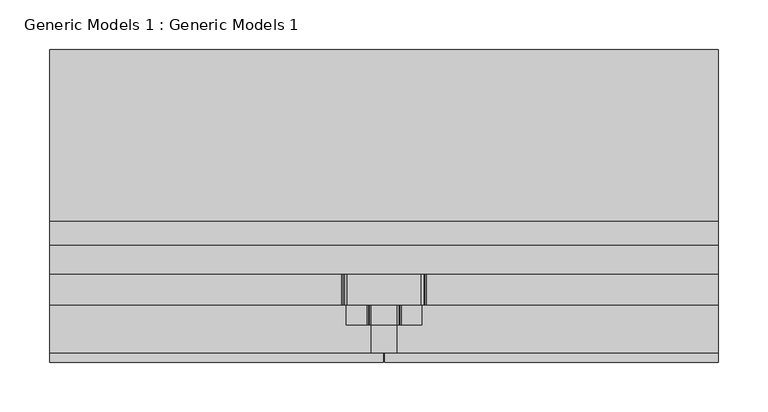
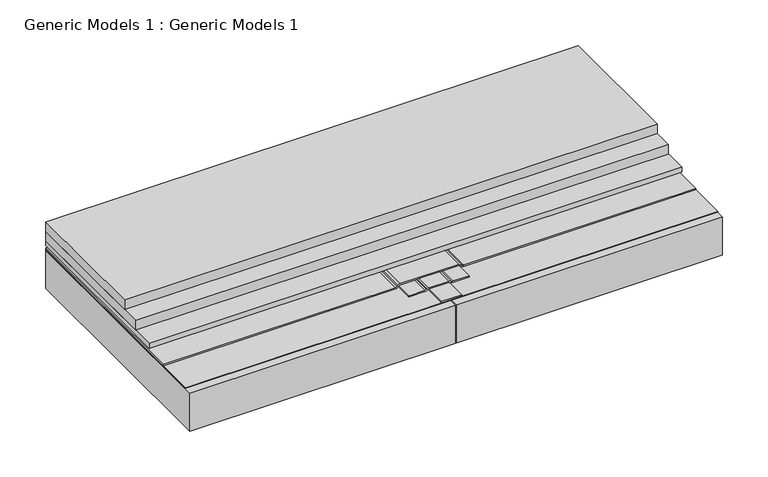
"""IFC4 building model written with IfcOpenShell, lengths in millimetres: proxy geometry, Generic Models 1 : Generic Models 1."""

from ifc_helpers import new_model, si_unit, point, frame, frame_2d, origin, place, context, project, spatial, polyline, circle_curve, trimmed, segment, composite_curve, outline, extrude, source, transform, mapped, element, save


def generic_models_1_generic_models_1_98463d38(model_context):
    return source(origin(), model_context, "Body", "SweptSolid", [
        extrude(outline(polyline([(387.35, 144.9383843), (-285.75, 144.9383843), (-285.75, 317.5), (387.35, 317.5), (387.35, 144.9383843)])), frame((0.0, 0.0, 213.51875), z_axis=(0.0, 0.0, 1.0), x_axis=(1.0, 0.0, 0.0)), (0.0, 0.0, 1.0), 12.7),
        extrude(outline(polyline([(387.35, 120.6167229), (-285.75, 120.6167229), (-285.75, 317.5), (387.35, 317.5), (387.35, 120.6167229)])), frame((0.0, 0.0, 200.81875), z_axis=(0.0, 0.0, 1.0), x_axis=(1.0, 0.0, 0.0)), (0.0, 0.0, 1.0), 12.7),
        extrude(outline(polyline([(387.35, 91.2346919), (-285.75, 91.2346919), (-285.75, 317.5), (387.35, 317.5), (387.35, 91.2346919)])), frame((0.0, 0.0, 194.46875), z_axis=(0.0, 0.0, 1.0), x_axis=(1.0, 0.0, 0.0)), (0.0, 0.0, 1.0), 6.35),
        extrude(outline(composite_curve([segment(polyline([(192.88125, 63.4926207), (192.88125, 38.1073793)]), True, "CONTINUOUS"), segment(trimmed(circle_curve(frame_2d((188.11875, 38.1073793)), 4.7625), [point((192.88125, 38.1073793))], [point((192.243196, 35.7261293))], False, "CARTESIAN"), True, "CONTINUOUS"), segment(polyline([(192.243196, 35.7261293), (191.7191193, 34.8184019)]), True, "CONTINUOUS"), segment(trimmed(circle_curve(frame_2d((194.46875, 33.2309019)), 3.175), [point((191.7191193, 34.8184019))], [point((191.29375, 33.2309019))], True, "CARTESIAN"), True, "CONTINUOUS"), segment(polyline([(191.29375, 33.2309019), (191.29375, 12.7), (189.70625, 12.7), (189.70625, 33.2309019)]), True, "CONTINUOUS"), segment(trimmed(circle_curve(frame_2d((194.46875, 33.2309019)), 4.7625), [point((189.70625, 33.2309019))], [point((190.344304, 35.6121519))], False, "CARTESIAN"), True, "CONTINUOUS"), segment(polyline([(190.344304, 35.6121519), (190.8683807, 36.5198793)]), True, "CONTINUOUS"), segment(trimmed(circle_curve(frame_2d((188.11875, 38.1073793)), 3.175), [point((190.8683807, 36.5198793))], [point((191.29375, 38.1073793))], True, "CARTESIAN"), True, "CONTINUOUS"), segment(polyline([(191.29375, 38.1073793), (191.29375, 63.4926207)]), True, "CONTINUOUS"), segment(trimmed(circle_curve(frame_2d((188.11875, 63.4926207)), 3.175), [point((191.29375, 63.4926207))], [point((190.8683807, 65.0801207))], True, "CARTESIAN"), True, "CONTINUOUS"), segment(polyline([(190.8683807, 65.0801207), (190.344304, 65.9878481)]), True, "CONTINUOUS"), segment(trimmed(circle_curve(frame_2d((194.46875, 68.3690981)), 4.7625), [point((190.344304, 65.9878481))], [point((189.70625, 68.3690981))], False, "CARTESIAN"), True, "CONTINUOUS"), segment(polyline([(189.70625, 68.3690981), (189.70625, 88.9), (191.29375, 88.9), (191.29375, 68.3690981)]), True, "CONTINUOUS"), segment(trimmed(circle_curve(frame_2d((194.46875, 68.3690981)), 3.175), [point((191.29375, 68.3690981))], [point((191.7191193, 66.7815981))], True, "CARTESIAN"), True, "CONTINUOUS"), segment(polyline([(191.7191193, 66.7815981), (192.243196, 65.8738707)]), True, "CONTINUOUS"), segment(trimmed(circle_curve(frame_2d((188.11875, 63.4926207)), 4.7625), [point((192.243196, 65.8738707))], [point((192.88125, 63.4926207))], False, "CARTESIAN"), True, "CONTINUOUS")], self_intersect=False)), frame((0.0, 39.8845984, 0.0), z_axis=(0.0, 1.0, 0.0), x_axis=(0.0, 0.0, 1.0)), (0.0, 0.0, 1.0), 277.6154016),
        extrude(outline(polyline([(38.1, 317.5), (63.5, 317.5), (63.5, 12.1207667), (38.1, 12.1207667), (38.1, 317.5)])), frame((0.0, 0.0, 189.70625), z_axis=(0.0, 0.0, 1.0), x_axis=(1.0, 0.0, 0.0)), (0.0, 0.0, 1.0), 1.5875),
        extrude(outline(composite_curve([segment(trimmed(circle_curve(frame_2d((194.46875, 7.5523079)), 4.7625), [point((189.70625, 7.5523079))], [point((191.101154, 10.919904))], False, "CARTESIAN"), True, "CONTINUOUS"), segment(polyline([(191.101154, 10.919904), (191.951314, 11.770064)]), True, "CONTINUOUS"), segment(trimmed(circle_curve(frame_2d((189.70625, 14.0151281)), 3.175), [point((191.951314, 11.770064))], [point((192.88125, 14.0151281))], True, "CARTESIAN"), True, "CONTINUOUS"), segment(polyline([(192.88125, 14.0151281), (192.88125, 87.5848719)]), True, "CONTINUOUS"), segment(trimmed(circle_curve(frame_2d((189.70625, 87.5848719)), 3.175), [point((192.88125, 87.5848719))], [point((191.951314, 89.829936))], True, "CARTESIAN"), True, "CONTINUOUS"), segment(polyline([(191.951314, 89.829936), (191.101154, 90.680096)]), True, "CONTINUOUS"), segment(trimmed(circle_curve(frame_2d((194.46875, 94.0476921)), 4.7625), [point((191.101154, 90.680096))], [point((189.70625, 94.0476921))], False, "CARTESIAN"), True, "CONTINUOUS"), segment(polyline([(189.70625, 94.0476921), (189.70625, 387.35), (191.29375, 387.35), (191.29375, 94.0476921)]), True, "CONTINUOUS"), segment(trimmed(circle_curve(frame_2d((194.46875, 94.0476921)), 3.175), [point((191.29375, 94.0476921))], [point((192.223686, 91.8026281))], True, "CARTESIAN"), True, "CONTINUOUS"), segment(polyline([(192.223686, 91.8026281), (193.073846, 90.952468)]), True, "CONTINUOUS"), segment(trimmed(circle_curve(frame_2d((189.70625, 87.5848719)), 4.7625), [point((193.073846, 90.952468))], [point((194.46875, 87.5848719))], False, "CARTESIAN"), True, "CONTINUOUS"), segment(polyline([(194.46875, 87.5848719), (194.46875, 14.0151281)]), True, "CONTINUOUS"), segment(trimmed(circle_curve(frame_2d((189.70625, 14.0151281)), 4.7625), [point((194.46875, 14.0151281))], [point((193.073846, 10.647532))], False, "CARTESIAN"), True, "CONTINUOUS"), segment(polyline([(193.073846, 10.647532), (192.223686, 9.7973719)]), True, "CONTINUOUS"), segment(trimmed(circle_curve(frame_2d((194.46875, 7.5523079)), 3.175), [point((192.223686, 9.7973719))], [point((191.29375, 7.5523079))], True, "CARTESIAN"), True, "CONTINUOUS"), segment(polyline([(191.29375, 7.5523079), (191.29375, -285.75), (189.70625, -285.75), (189.70625, 7.5523079)]), True, "CONTINUOUS")], self_intersect=False)), frame((0.0, 60.368829, 0.0), z_axis=(0.0, 1.0, 0.0), x_axis=(0.0, 0.0, 1.0)), (0.0, 0.0, 1.0), 257.131171),
        extrude(outline(polyline([(50.00625, 2.38125), (-285.75, 2.38125), (-285.75, 317.5), (50.00625, 317.5), (50.00625, 2.38125)])), frame((0.0, 0.0, 137.31875), z_axis=(0.0, 0.0, 1.0), x_axis=(1.0, 0.0, 0.0)), (0.0, 0.0, 1.0), 50.8),
        extrude(outline(polyline([(387.35, 12.1207667), (-285.75, 12.1207667), (-285.75, 317.5), (387.35, 317.5), (387.35, 12.1207667)])), frame((0.0, 0.0, 188.9125), z_axis=(0.0, 0.0, 1.0), x_axis=(1.0, 0.0, 0.0)), (0.0, 0.0, 1.0), 0.79375),
        extrude(outline(polyline([(387.35, 2.38125), (51.59375, 2.38125), (51.59375, 317.5), (387.35, 317.5), (387.35, 2.38125)])), frame((0.0, 0.0, 137.31875), z_axis=(0.0, 0.0, 1.0), x_axis=(1.0, 0.0, 0.0)), (0.0, 0.0, 1.0), 50.8),
    ])


if __name__ == "__main__":
    model = new_model("IFC4")
    model_context = context("Model", 3, world=origin())
    ifc_project = project(units=[si_unit("LENGTHUNIT", "METRE", prefix="MILLI")], contexts=[model_context])
    site = spatial("IfcSite", under=ifc_project)
    building = spatial("IfcBuilding", under=site)
    placement = place(None, origin())
    generic_models_1_generic_models_1_shape = generic_models_1_generic_models_1_98463d38(model_context)
    element("IfcBuildingElementProxy", 1, Name="Generic Models 1 : Generic Models 1", ObjectType="Generic Models 1 : Generic Models 1", at=placement, inside=building, context=model_context, shape_type="MappedRepresentation", body=[
        mapped(generic_models_1_generic_models_1_shape, transform((0.0, 0.0, 0.0), x_axis=(1.0, 0.0, 0.0), y_axis=(0.0, 1.0, 0.0), z_axis=(0.0, 0.0, 1.0))),
    ])
    save(model, "model.ifc")
